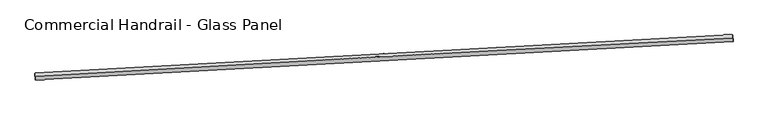
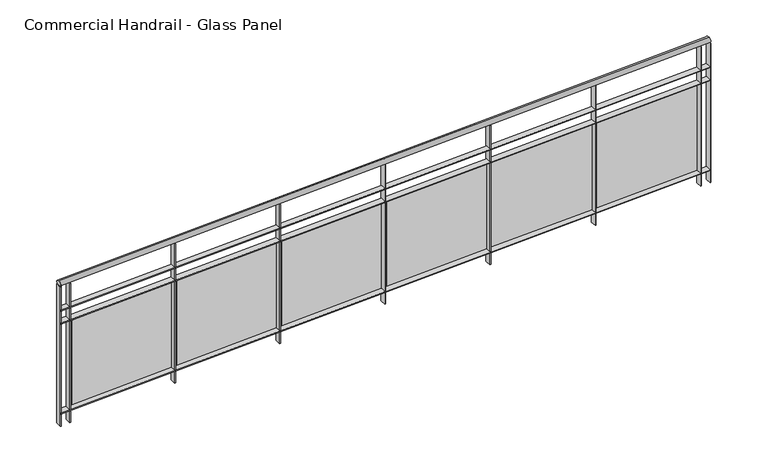
"""IFC4 building model written with IfcOpenShell, lengths in millimetres: railing geometry, Commercial Handrail - Glass Panel."""

from ifc_helpers import new_model, si_unit, point, frame, origin, place, context, project, spatial, polyline, circle_curve, ellipse_curve, trimmed, outline, extrude, source, transform, mapped, element, save
from ifc_brep_helpers import plane_surface, cylinder_surface, revolved_surface, advanced_brep


def commercial_handrail_glass_panel_0bf1942e(model_context):
    return source(origin(), model_context, "Body", "SolidModel", [
        advanced_brep(
        [(75374.0222019, -10045.9404485, 6082.5), (70436.2083827, -10318.8107555, 6082.5), (70436.2083827, -10318.8107555, 6117.5), (75374.0222019, -10045.9404485, 6117.5)],
        [
            (0, 1, circle_curve(frame((107193.6387165, -630661.5572849, 6082.5), z_axis=(0.0, 0.0, 1.0), x_axis=(-0.05914967633209109, 0.9982491251134703, 0.0)), 621430.7941005)),
            (1, 2, ellipse_curve(frame((70436.2083827, -10318.8107555, 6100.0), z_axis=(0.9982491251134706, 0.059149676332084636, 0.0), x_axis=(0.059149676332084636, -0.9982491251134706, 0.0)), 25.0, 17.5)),
            (2, 3, circle_curve(frame((107193.6387165, -630661.5572849, 6117.5), z_axis=(0.0, 0.0, -1.0), x_axis=(-0.05914967633209109, 0.9982491251134703, 0.0)), 621430.7941005)),
            (3, 0, ellipse_curve(frame((75374.0222019, -10045.9404485, 6100.0), z_axis=(-0.9986882251864158, -0.05120379745690093, 0.0), x_axis=(0.051203797456900915, -0.9986882251864155, 0.0)), 25.0, 17.5)),
            (2, 1, ellipse_curve(frame((70436.2083827, -10318.8107555, 6100.0), z_axis=(0.9982491251134706, 0.059149676332084636, 0.0), x_axis=(0.059149676332084636, -0.9982491251134706, 0.0)), 25.0, 17.5)),
            (0, 3, ellipse_curve(frame((75374.0222019, -10045.9404485, 6100.0), z_axis=(-0.9986882251864158, -0.05120379745690093, 0.0), x_axis=(0.051203797456900915, -0.9986882251864155, 0.0)), 25.0, 17.5)),
        ],
        [
            revolved_surface(trimmed(ellipse_curve(frame((70436.2083827, -10318.8107555, 6100.0), z_axis=(-0.9982491251134703, -0.05914967633209109, 0.0), x_axis=(0.0, 0.0, -1.0)), 17.5, 25.0), [point((70436.2083827, -10318.8107555, 6117.5))], [point((70436.2083827, -10318.8107555, 6082.5))], True, "CARTESIAN"), (107193.6387165, -630661.5572849, 6100.0), (0.0, 0.0, -1.0)),
            revolved_surface(trimmed(ellipse_curve(frame((70436.2083827, -10318.8107555, 6100.0), z_axis=(-0.9982491251134703, -0.05914967633209109, 0.0), x_axis=(0.0, 0.0, -1.0)), 17.5, 25.0), [point((70436.2083827, -10318.8107555, 6082.5))], [point((70436.2083827, -10318.8107555, 6117.5))], True, "CARTESIAN"), (107193.6387165, -630661.5572849, 6100.0), (0.0, 0.0, -1.0)),
            plane_surface(frame((70436.2083827, -10318.8107555, 6100.0), z_axis=(-0.9982491251134703, -0.05914967633209109, 0.0), x_axis=(0.05914967633209109, -0.9982491251134703, 0.0))),
            plane_surface(frame((75374.0222019, -10045.9404485, 6100.0), z_axis=(0.9986882251864156, 0.05120379745690092, 0.0), x_axis=(0.05120379745690092, -0.9986882251864156, 0.0))),
        ],
        [
            (0, [[1, 2, 3, 4]]),
            (1, [[-3, 5, -1, 6]]),
            (2, [[-2, -5]]),
            (3, [[-6, -4]]),
        ],
    ),
        advanced_brep(
        [(75372.8701165, -10023.4699634, 5900.0), (70434.8775149, -10296.3501502, 5900.0), (70437.5392504, -10341.2713608, 5900.0), (75375.1742873, -10068.4109335, 5900.0), (75372.8701165, -10023.4699634, 5894.0), (70434.8775149, -10296.3501502, 5894.0), (75375.1742873, -10068.4109335, 5894.0), (70437.5392504, -10341.2713608, 5894.0)],
        [
            (0, 1, circle_curve(frame((107193.6387165, -630661.5572849, 5900.0), z_axis=(0.0, 0.0, 1.0), x_axis=(-0.05914967633209109, 0.9982491251134703, 0.0)), 621453.2941005)),
            (1, 2),
            (2, 3, circle_curve(frame((107193.6387165, -630661.5572849, 5900.0), z_axis=(0.0, 0.0, -1.0), x_axis=(-0.05914967633209109, 0.9982491251134703, 0.0)), 621408.2941005)),
            (3, 0),
            (4, 5, circle_curve(frame((107193.6387165, -630661.5572849, 5894.0), z_axis=(0.0, 0.0, 1.0), x_axis=(-0.05914967633209109, 0.9982491251134703, 0.0)), 621453.2941005)),
            (5, 1),
            (0, 4),
            (6, 7, circle_curve(frame((107193.6387165, -630661.5572849, 5894.0), z_axis=(0.0, 0.0, 1.0), x_axis=(-0.05914967633209109, 0.9982491251134703, 0.0)), 621408.2941005)),
            (7, 5),
            (4, 6),
            (2, 7),
            (6, 3),
        ],
        [
            plane_surface(frame((107193.6387165, -630661.5572849, 5900.0), z_axis=(0.0, 0.0, 1.0), x_axis=(-0.05914967633209109, 0.9982491251134703, 0.0))),
            cylinder_surface(frame((107193.6387165, -630661.5572849, 5900.0), z_axis=(0.0, 0.0, -1.0), x_axis=(-0.05914967633209109, 0.9982491251134703, 0.0)), 621453.2941005),
            plane_surface(frame((107193.6387165, -630661.5572849, 5894.0), z_axis=(0.0, 0.0, -1.0), x_axis=(-0.05914967633209109, 0.9982491251134703, 0.0))),
            revolved_surface(polyline([(70437.53925037856, -10341.271360821906, 5894.0), (70437.53925037856, -10341.271360821906, 5900.0)]), (107193.6387165, -630661.5572849, 5900.0), (0.0, 0.0, -1.0)),
            plane_surface(frame((70436.2083827, -10318.8107555, 5900.0), z_axis=(-0.9982491251134703, -0.05914967633209109, 0.0), x_axis=(0.05914967633209109, -0.9982491251134703, 0.0))),
            plane_surface(frame((75374.0222019, -10045.9404485, 5900.0), z_axis=(0.9986882251864156, 0.05120379745690092, 0.0), x_axis=(0.05120379745690092, -0.9986882251864156, 0.0))),
        ],
        [
            (0, [[1, 2, 3, 4]]),
            (1, [[5, 6, -1, 7]]),
            (2, [[8, 9, -5, 10]]),
            (3, [[-3, 11, -8, 12]]),
            (4, [[-2, -6, -9, -11]]),
            (5, [[-12, -10, -7, -4]]),
        ],
    ),
        advanced_brep(
        [(75372.8701165, -10023.4699634, 5800.0), (70434.8775149, -10296.3501502, 5800.0), (70437.5392504, -10341.2713608, 5800.0), (75375.1742873, -10068.4109335, 5800.0), (75372.8701165, -10023.4699634, 5794.0), (70434.8775149, -10296.3501502, 5794.0), (75375.1742873, -10068.4109335, 5794.0), (70437.5392504, -10341.2713608, 5794.0)],
        [
            (0, 1, circle_curve(frame((107193.6387165, -630661.5572849, 5800.0), z_axis=(0.0, 0.0, 1.0), x_axis=(-0.05914967633209109, 0.9982491251134703, 0.0)), 621453.2941005)),
            (1, 2),
            (2, 3, circle_curve(frame((107193.6387165, -630661.5572849, 5800.0), z_axis=(0.0, 0.0, -1.0), x_axis=(-0.05914967633209109, 0.9982491251134703, 0.0)), 621408.2941005)),
            (3, 0),
            (4, 5, circle_curve(frame((107193.6387165, -630661.5572849, 5794.0), z_axis=(0.0, 0.0, 1.0), x_axis=(-0.05914967633209109, 0.9982491251134703, 0.0)), 621453.2941005)),
            (5, 1),
            (0, 4),
            (6, 7, circle_curve(frame((107193.6387165, -630661.5572849, 5794.0), z_axis=(0.0, 0.0, 1.0), x_axis=(-0.05914967633209109, 0.9982491251134703, 0.0)), 621408.2941005)),
            (7, 5),
            (4, 6),
            (2, 7),
            (6, 3),
        ],
        [
            plane_surface(frame((107193.6387165, -630661.5572849, 5800.0), z_axis=(0.0, 0.0, 1.0), x_axis=(-0.05914967633209109, 0.9982491251134703, 0.0))),
            cylinder_surface(frame((107193.6387165, -630661.5572849, 5800.0), z_axis=(0.0, 0.0, -1.0), x_axis=(-0.05914967633209109, 0.9982491251134703, 0.0)), 621453.2941005),
            plane_surface(frame((107193.6387165, -630661.5572849, 5794.0), z_axis=(0.0, 0.0, -1.0), x_axis=(-0.05914967633209109, 0.9982491251134703, 0.0))),
            revolved_surface(polyline([(70437.53925037856, -10341.271360821906, 5794.0), (70437.53925037856, -10341.271360821906, 5800.0)]), (107193.6387165, -630661.5572849, 5800.0), (0.0, 0.0, -1.0)),
            plane_surface(frame((70436.2083827, -10318.8107555, 5800.0), z_axis=(-0.9982491251134703, -0.05914967633209109, 0.0), x_axis=(0.05914967633209109, -0.9982491251134703, 0.0))),
            plane_surface(frame((75374.0222019, -10045.9404485, 5800.0), z_axis=(0.9986882251864156, 0.05120379745690092, 0.0), x_axis=(0.05120379745690092, -0.9986882251864156, 0.0))),
        ],
        [
            (0, [[1, 2, 3, 4]]),
            (1, [[5, 6, -1, 7]]),
            (2, [[8, 9, -5, 10]]),
            (3, [[-3, 11, -8, 12]]),
            (4, [[-2, -6, -9, -11]]),
            (5, [[-12, -10, -7, -4]]),
        ],
    ),
        advanced_brep(
        [(75372.8701165, -10023.4699634, 5100.0), (70434.8775149, -10296.3501502, 5100.0), (70437.5392504, -10341.2713608, 5100.0), (75375.1742873, -10068.4109335, 5100.0), (75372.8701165, -10023.4699634, 5094.0), (70434.8775149, -10296.3501502, 5094.0), (75375.1742873, -10068.4109335, 5094.0), (70437.5392504, -10341.2713608, 5094.0)],
        [
            (0, 1, circle_curve(frame((107193.6387165, -630661.5572849, 5100.0), z_axis=(0.0, 0.0, 1.0), x_axis=(-0.05914967633209109, 0.9982491251134703, 0.0)), 621453.2941005)),
            (1, 2),
            (2, 3, circle_curve(frame((107193.6387165, -630661.5572849, 5100.0), z_axis=(0.0, 0.0, -1.0), x_axis=(-0.05914967633209109, 0.9982491251134703, 0.0)), 621408.2941005)),
            (3, 0),
            (4, 5, circle_curve(frame((107193.6387165, -630661.5572849, 5094.0), z_axis=(0.0, 0.0, 1.0), x_axis=(-0.05914967633209109, 0.9982491251134703, 0.0)), 621453.2941005)),
            (5, 1),
            (0, 4),
            (6, 7, circle_curve(frame((107193.6387165, -630661.5572849, 5094.0), z_axis=(0.0, 0.0, 1.0), x_axis=(-0.05914967633209109, 0.9982491251134703, 0.0)), 621408.2941005)),
            (7, 5),
            (4, 6),
            (2, 7),
            (6, 3),
        ],
        [
            plane_surface(frame((107193.6387165, -630661.5572849, 5100.0), z_axis=(0.0, 0.0, 1.0), x_axis=(-0.05914967633209109, 0.9982491251134703, 0.0))),
            cylinder_surface(frame((107193.6387165, -630661.5572849, 5100.0), z_axis=(0.0, 0.0, -1.0), x_axis=(-0.05914967633209109, 0.9982491251134703, 0.0)), 621453.2941005),
            plane_surface(frame((107193.6387165, -630661.5572849, 5094.0), z_axis=(0.0, 0.0, -1.0), x_axis=(-0.05914967633209109, 0.9982491251134703, 0.0))),
            revolved_surface(polyline([(70437.53925037856, -10341.271360821906, 5094.0), (70437.53925037856, -10341.271360821906, 5100.0)]), (107193.6387165, -630661.5572849, 5100.0), (0.0, 0.0, -1.0)),
            plane_surface(frame((70436.2083827, -10318.8107555, 5100.0), z_axis=(-0.9982491251134703, -0.05914967633209109, 0.0), x_axis=(0.05914967633209109, -0.9982491251134703, 0.0))),
            plane_surface(frame((75374.0222019, -10045.9404485, 5100.0), z_axis=(0.9986882251864156, 0.05120379745690092, 0.0), x_axis=(0.05120379745690092, -0.9986882251864156, 0.0))),
        ],
        [
            (0, [[1, 2, 3, 4]]),
            (1, [[5, 6, -1, 7]]),
            (2, [[8, 9, -5, 10]]),
            (3, [[-3, 11, -8, 12]]),
            (4, [[-2, -6, -9, -11]]),
            (5, [[-12, -10, -7, -4]]),
        ],
    ),
        extrude(outline(polyline([(75299.59607, -10072.2905153), (75297.286643, -10027.349815), (75303.2787363, -10027.0418914), (75305.5881633, -10071.9825917), (75299.59607, -10072.2905153)])), frame((0.0, 0.0, 5000.0), z_axis=(0.0, 0.0, 1.0), x_axis=(1.0, 0.0, 0.0)), (0.0, 0.0, 1.0), 1082.1192282),
        extrude(outline(polyline([(74522.1727493, -10084.0772121), (75281.1459809, -10044.5850151), (75281.7695419, -10056.568803), (74522.7963103, -10096.061), (74522.1727493, -10084.0772121)])), frame((0.0, 0.0, 5120.0), z_axis=(0.0, 0.0, 1.0), x_axis=(1.0, 0.0, 0.0)), (0.0, 0.0, 1.0), 660.0),
        extrude(outline(polyline([(74500.7060609, -10113.8635979), (74498.3387813, -10068.9259078), (74504.3304733, -10068.6102705), (74506.6977529, -10113.5479606), (74500.7060609, -10113.8635979)])), frame((0.0, 0.0, 5000.0), z_axis=(0.0, 0.0, 1.0), x_axis=(1.0, 0.0, 0.0)), (0.0, 0.0, 1.0), 1082.1192282),
        extrude(outline(polyline([(73723.298558, -10126.6511019), (74482.2203204, -10086.1818723), (74482.8593083, -10098.1648475), (73723.9375458, -10138.634077), (73723.298558, -10126.6511019)])), frame((0.0, 0.0, 5120.0), z_axis=(0.0, 0.0, 1.0), x_axis=(1.0, 0.0, 0.0)), (0.0, 0.0, 1.0), 660.0),
        extrude(outline(polyline([(73701.8702329, -10156.4650981), (73699.4451047, -10111.5304928), (73705.4363855, -10111.2071424), (73707.8615137, -10156.1417477), (73701.8702329, -10156.4650981)])), frame((0.0, 0.0, 5000.0), z_axis=(0.0, 0.0, 1.0), x_axis=(1.0, 0.0, 0.0)), (0.0, 0.0, 1.0), 1082.1192282),
        extrude(outline(polyline([(72924.4798363, -10170.2533881), (73683.3488717, -10128.8071931), (73684.0032853, -10140.7893358), (72925.1342499, -10182.2355307), (72924.4798363, -10170.2533881)])), frame((0.0, 0.0, 5120.0), z_axis=(0.0, 0.0, 1.0), x_axis=(1.0, 0.0, 0.0)), (0.0, 0.0, 1.0), 660.0),
        extrude(outline(polyline([(72903.0899101, -10200.0949454), (72900.6069372, -10155.1634993), (72906.5977967, -10154.8324363), (72909.0807695, -10199.7638824), (72903.0899101, -10200.0949454)])), frame((0.0, 0.0, 5000.0), z_axis=(0.0, 0.0, 1.0), x_axis=(1.0, 0.0, 0.0)), (0.0, 0.0, 1.0), 1082.1192282),
        extrude(outline(polyline([(72125.7179079, -10214.8839986), (72884.5329587, -10172.4609069), (72885.202797, -10184.4421971), (72126.3877462, -10226.8652888), (72125.7179079, -10214.8839986)])), frame((0.0, 0.0, 5120.0), z_axis=(0.0, 0.0, 1.0), x_axis=(1.0, 0.0, 0.0)), (0.0, 0.0, 1.0), 660.0),
        extrude(outline(polyline([(72104.366416, -10244.7530675), (72101.8256027, -10199.8248551), (72107.816031, -10199.48608), (72110.3568443, -10244.4142924), (72104.366416, -10244.7530675)])), frame((0.0, 0.0, 5000.0), z_axis=(0.0, 0.0, 1.0), x_axis=(1.0, 0.0, 0.0)), (0.0, 0.0, 1.0), 1082.1192282),
        extrude(outline(polyline([(71327.0140968, -10260.5428593), (72085.7739053, -10217.1429412), (72086.4591672, -10229.1233592), (71327.6993586, -10272.5232773), (71327.0140968, -10260.5428593)])), frame((0.0, 0.0, 5120.0), z_axis=(0.0, 0.0, 1.0), x_axis=(1.0, 0.0, 0.0)), (0.0, 0.0, 1.0), 660.0),
        extrude(outline(polyline([(71305.7010745, -10290.4393904), (71303.1024249, -10245.5144861), (71309.0924121, -10245.1679995), (71311.6910617, -10290.0929037), (71305.7010745, -10290.4393904)])), frame((0.0, 0.0, 5000.0), z_axis=(0.0, 0.0, 1.0), x_axis=(1.0, 0.0, 0.0)), (0.0, 0.0, 1.0), 1082.1192282),
        extrude(outline(polyline([(70528.3697264, -10307.2298946), (71287.0730353, -10262.853222), (71287.7737196, -10274.8327479), (70529.0704107, -10319.2094206), (70528.3697264, -10307.2298946)])), frame((0.0, 0.0, 5120.0), z_axis=(0.0, 0.0, 1.0), x_axis=(1.0, 0.0, 0.0)), (0.0, 0.0, 1.0), 660.0),
        extrude(outline(polyline([(70507.0952092, -10337.1538383), (70504.4387276, -10292.2323167), (70510.4282638, -10291.8781191), (70513.0847454, -10336.7996407), (70507.0952092, -10337.1538383)])), frame((0.0, 0.0, 5000.0), z_axis=(0.0, 0.0, 1.0), x_axis=(1.0, 0.0, 0.0)), (0.0, 0.0, 1.0), 1082.1192282),
        extrude(outline(polyline([(75372.1782227, -10068.5645449), (75369.8740518, -10023.6235748), (75375.8661811, -10023.316352), (75378.170352, -10068.2573221), (75372.1782227, -10068.5645449)])), frame((0.0, 0.0, 5000.0), z_axis=(0.0, 0.0, 1.0), x_axis=(1.0, 0.0, 0.0)), (0.0, 0.0, 1.0), 1082.1192282),
        extrude(outline(polyline([(70434.544503, -10341.4488098), (70431.8827676, -10296.5275992), (70437.8722623, -10296.1727011), (70440.5339978, -10341.0939118), (70434.544503, -10341.4488098)])), frame((0.0, 0.0, 5000.0), z_axis=(0.0, 0.0, 1.0), x_axis=(1.0, 0.0, 0.0)), (0.0, 0.0, 1.0), 1082.1192282),
    ])


if __name__ == "__main__":
    model = new_model("IFC4")
    model_context = context("Model", 3, world=origin())
    ifc_project = project(units=[si_unit("LENGTHUNIT", "METRE", prefix="MILLI")], contexts=[model_context])
    site = spatial("IfcSite", under=ifc_project)
    building = spatial("IfcBuilding", under=site)
    placement = place(None, origin())
    commercial_handrail_glass_panel_shape = commercial_handrail_glass_panel_0bf1942e(model_context)
    element("IfcRailing", 1, ObjectType="Commercial Handrail - Glass Panel", at=placement, inside=building, context=model_context, shape_type="MappedRepresentation", body=[
        mapped(commercial_handrail_glass_panel_shape, transform((0.0, 0.0, 0.0), x_axis=(1.0, 0.0, 0.0), y_axis=(0.0, 1.0, 0.0), z_axis=(0.0, 0.0, 1.0))),
    ])
    save(model, "model.ifc")
